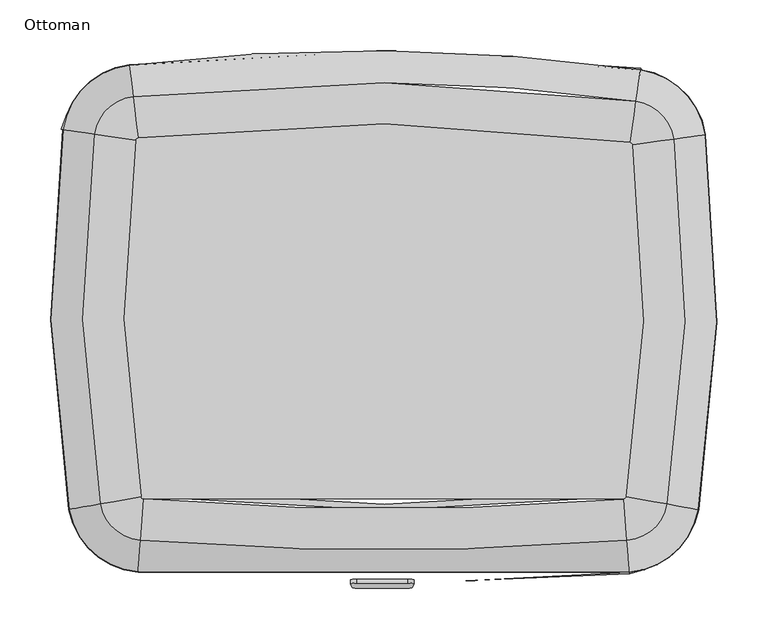
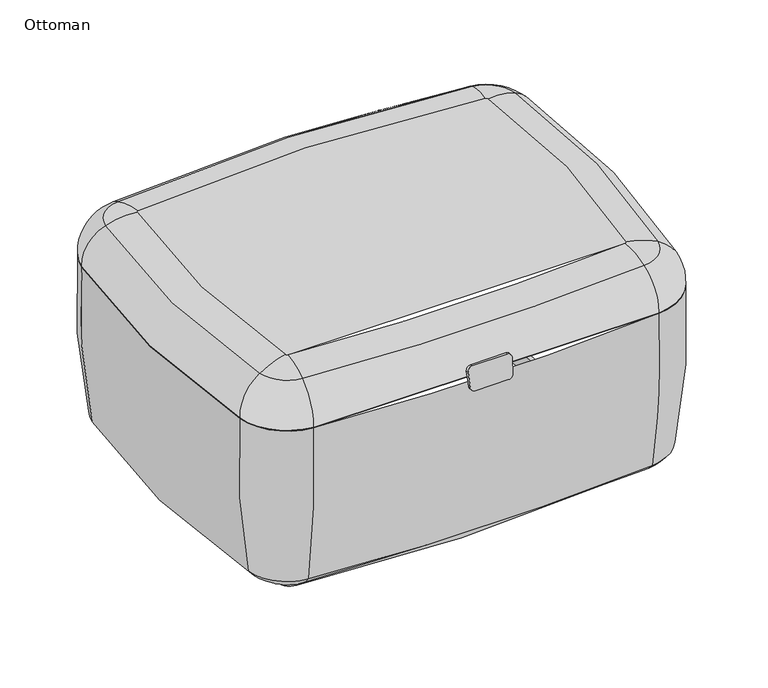
"""IFC4 building model written with IfcOpenShell, lengths in millimetres: furniture geometry, Ottoman."""

from ifc_helpers import new_model, si_unit, point, frame, frame_2d, origin, place, context, project, spatial, polyline, circle_curve, ellipse_curve, trimmed, segment, composite_curve, outline, extrude, source, transform, mapped, element, save
from ifc_brep_helpers import plane_surface, cylinder_surface, revolved_surface, advanced_brep


def ottoman_db271298(model_context):
    return source(origin(), model_context, "Body", "SolidModel", [
        extrude(outline(composite_curve([segment(trimmed(circle_curve(frame_2d((49.6176075, -6.35)), 6.35), [point((49.6176075, 0.0))], [point((55.9589051, -6.6823334))], False, "CARTESIAN"), True, "CONTINUOUS"), segment(polyline([(55.9589051, -6.6823334), (54.8146661, -28.5157131)]), True, "CONTINUOUS"), segment(trimmed(circle_curve(frame_2d((48.4733686, -28.1833798)), 6.35), [point((54.8146661, -28.5157131))], [point((48.4733686, -34.5333798))], False, "CARTESIAN"), True, "CONTINUOUS"), segment(polyline([(48.4733686, -34.5333798), (0.9445452, -34.5333798)]), True, "CONTINUOUS"), segment(trimmed(circle_curve(frame_2d((0.9445452, -28.1833798)), 6.35), [point((0.9445452, -34.5333798))], [point((-5.3967523, -28.5157131))], False, "CARTESIAN"), True, "CONTINUOUS"), segment(polyline([(-5.3967523, -28.5157131), (-6.5409913, -6.6823334)]), True, "CONTINUOUS"), segment(trimmed(circle_curve(frame_2d((-0.1996937, -6.35)), 6.35), [point((-6.5409913, -6.6823334))], [point((-0.1996937, 0.0))], False, "CARTESIAN"), True, "CONTINUOUS"), segment(polyline([(-0.1996937, 0.0), (49.6176075, 0.0)]), True, "CONTINUOUS")], self_intersect=False)), frame((-26.213421, 9.9094783, 308.7471317), z_axis=(0.0, -0.9891204352880028, 0.14710800282673991), x_axis=(1.0, 0.0, 0.0)), (0.0, 0.0, 1.0), 3.9838736),
        advanced_brep(
        [(-260.8692912, 446.3749834, 25.2801461), (-255.1823561, 88.8824496, 25.2801461), (-298.1236147, 81.1627828, 52.5429671), (-304.0343663, 452.7248842, 52.5429671), (-316.5470136, 454.5655868, 286.4331024), (-310.5713823, 78.9250138, 286.4331024), (-310.5713823, 78.9250138, 287.5250719), (-316.5470136, 454.5655868, 287.5250719), (-250.4263603, 505.0155623, 52.5429671), (-245.1521632, 461.705889, 25.2801461), (-251.955239, 517.5701255, 287.5250719), (-251.955239, 517.5701255, 286.4331024), (252.2554108, 500.2496092, 52.5429671), (246.1609929, 457.0477225, 25.2801461), (254.0220543, 512.7729274, 287.5250719), (254.0220543, 512.7729274, 286.4331024), (304.7408151, 447.8502813, 52.5429671), (261.5489896, 441.6849622, 25.2801461), (317.2612167, 449.6374776, 287.5250719), (317.2612167, 449.6374776, 286.4331024), (298.102988, 81.0480786, 52.5429671), (255.1625104, 88.7720887, 25.2801461), (310.5505292, 78.8090505, 287.5250719), (310.5505292, 78.8090505, 286.4331024), (286.9946214, 445.3171411, 340.1119348), (249.7514018, 482.4992817, 340.1119348), (244.0389023, 442.0047236, 349.2604972), (246.5094941, 439.5381836, 349.2604972), (240.2105349, 91.4616073, 349.2604972), (280.4600655, 84.221637, 340.1119348), (-286.2991636, 450.1159051, 340.1119348), (-280.4803712, 84.3345566, 340.1119348), (-240.2301086, 91.5704557, 349.2604972), (-245.8391103, 444.163933, 349.2604972), (-243.3156754, 446.6253587, 349.2604972), (-248.2593548, 487.2209486, 340.1119348), (237.583153, 89.0796896, 349.2604972), (240.8532959, 48.3151456, 340.1119348), (243.2980479, 17.8396589, 287.5250719), (243.2980479, 17.8396589, 286.4331024), (242.2867258, 30.4464728, 52.5429671), (238.7979522, 73.9363958, 25.2801461), (-237.6039993, 89.1883553, 349.2604972), (-240.8927859, 48.4253112, 340.1119348), (-243.3514759, 17.9509459, 287.5250719), (-243.3514759, 17.9509459, 286.4331024), (-242.3343881, 30.5572959, 52.5429671), (-238.8257243, 74.0456188, 25.2801461), (311.5030625, 78.6377115, 287.5250719), (243.3754381, 16.8749375, 287.5250719), (-243.4293073, 16.98626, 287.5250719), (-311.5239329, 78.7537712, 287.5250719), (-317.504529, 454.7064444, 287.5250719), (-252.0722347, 518.5308485, 287.5250719), (254.1572446, 513.7312595, 287.5250719), (318.2193256, 449.7742406, 287.5250719), (-311.5377376, 78.7512895, 286.4331024), (-243.4304353, 16.9722794, 286.4331024), (243.3765597, 16.8609564, 286.4331024), (311.5168669, 78.6352284, 286.4331024), (318.2332109, 449.7762227, 286.4331024), (254.1592038, 513.745148, 286.4331024), (-252.0739302, 518.5447717, 286.4331024), (-317.5184057, 454.7084858, 286.4331024)],
        [
            (0, 1, circle_curve(frame((835.9087058, 285.0308554, 25.2801461), z_axis=(0.0, 0.0, 1.0), x_axis=(-0.9842223017408497, -0.17693631836325693, 0.0)), 1108.5819331)),
            (1, 2, circle_curve(frame((-244.941887, 90.7234065, 90.4734502), z_axis=(-0.176936318363257, 0.9842223017408497, 0.0), x_axis=(0.9842223017408497, 0.176936318363257, 0.0)), 66.0183553)),
            (2, 3, circle_curve(frame((835.9087058, 285.0308554, 52.5429671), z_axis=(0.0, 0.0, -1.0), x_axis=(-0.9842223017408497, -0.17693631836325693, 0.0)), 1152.2115669)),
            (3, 0, circle_curve(frame((-250.5754473, 444.8606831, 90.4734502), z_axis=(-0.14554100442244225, -0.9893522204107628, 0.0), x_axis=(0.9893522204107628, -0.14554100442244225, 0.0)), 66.0183553)),
            (4, 5, circle_curve(frame((835.9087058, 285.0308554, 286.4331024), z_axis=(0.0, 0.0, 1.0), x_axis=(-0.9842223017408497, -0.17693631836325693, 0.0)), 1164.85888)),
            (5, 6),
            (6, 7, circle_curve(frame((835.9087058, 285.0308554, 287.5250719), z_axis=(0.0, 0.0, -1.0), x_axis=(-0.9842223017408497, -0.17693631836325693, 0.0)), 1164.85888)),
            (7, 4),
            (3, 8, circle_curve(frame((-242.9644274, 443.741046, 52.5429671), z_axis=(0.0, 0.0, -1.0), x_axis=(-0.9893522204107618, 0.14554100442244947, 0.0)), 61.7271965)),
            (8, 9, circle_curve(frame((-243.8943926, 451.3775619, 90.4734502), z_axis=(-0.9926664381444686, -0.12088565912288268, 0.0), x_axis=(0.12088565912288268, -0.9926664381444686, 0.0)), 66.0183553)),
            (9, 0, circle_curve(frame((-242.9644274, 443.741046, 25.2801461), z_axis=(0.0, 0.0, 1.0), x_axis=(-0.9893522204107618, 0.14554100442244947, 0.0)), 18.0975626)),
            (7, 10, circle_curve(frame((-242.9644274, 443.741046, 287.5250719), z_axis=(0.0, 0.0, -1.0), x_axis=(-0.9893522204107618, 0.14554100442244947, 0.0)), 74.3745095)),
            (10, 11),
            (11, 4, circle_curve(frame((-242.9644274, 443.741046, 286.4331024), z_axis=(0.0, 0.0, 1.0), x_axis=(-0.9893522204107618, 0.14554100442244947, 0.0)), 74.3745095)),
            (8, 12, circle_curve(frame((-17.2191717, -1409.9919824, 52.5429671), z_axis=(0.0, 0.0, -1.0), x_axis=(-0.12088565912267905, 0.9926664381444934, 0.0)), 1929.1551231)),
            (12, 13, circle_curve(frame((244.7076192, 446.7450998, 90.4734502), z_axis=(-0.9901959509431317, 0.13968528460731675, 0.0), x_axis=(-0.13968528460731675, -0.9901959509431317, 0.0)), 66.0183553)),
            (13, 9, circle_curve(frame((-17.2191717, -1409.9919824, 25.2801461), z_axis=(0.0, 0.0, 1.0), x_axis=(-0.12088565912267905, 0.9926664381444934, 0.0)), 1885.5254892)),
            (10, 14, circle_curve(frame((-17.2191717, -1409.9919824, 287.5250719), z_axis=(0.0, 0.0, -1.0), x_axis=(-0.12088565912267905, 0.9926664381444934, 0.0)), 1941.8024361)),
            (14, 15),
            (15, 11, circle_curve(frame((-17.2191717, -1409.9919824, 286.4331024), z_axis=(0.0, 0.0, 1.0), x_axis=(-0.12088565912267905, 0.9926664381444934, 0.0)), 1941.8024361)),
            (12, 16, circle_curve(frame((243.6330298, 439.1275892, 52.5429671), z_axis=(0.0, 0.0, -1.0), x_axis=(0.1396852845916852, 0.9901959509453369, 0.0)), 61.7271965)),
            (16, 17, circle_curve(frame((251.2487664, 440.2146802, 90.4734502), z_axis=(-0.14131035525665644, 0.9899653445940608, 0.0), x_axis=(-0.9899653445940608, -0.14131035525665644, 0.0)), 66.0183553)),
            (17, 13, circle_curve(frame((243.6330298, 439.1275892, 25.2801461), z_axis=(0.0, 0.0, 1.0), x_axis=(0.1396852845916852, 0.9901959509453369, 0.0)), 18.0975626)),
            (14, 18, circle_curve(frame((243.6330298, 439.1275892, 287.5250719), z_axis=(0.0, 0.0, -1.0), x_axis=(0.1396852845916852, 0.9901959509453369, 0.0)), 74.3745095)),
            (18, 19),
            (19, 15, circle_curve(frame((243.6330298, 439.1275892, 286.4331024), z_axis=(0.0, 0.0, 1.0), x_axis=(0.1396852845916852, 0.9901959509453369, 0.0)), 74.3745095)),
            (16, 20, circle_curve(frame((-835.9087058, 285.0308554, 52.5429671), z_axis=(0.0, 0.0, -1.0), x_axis=(0.9899653445940766, 0.14131035525654612, 0.0)), 1152.2115669)),
            (20, 21, circle_curve(frame((244.9222277, 90.6140815, 90.4734502), z_axis=(0.17703586972420848, 0.9842043999246259, 0.0), x_axis=(-0.9842043999246259, 0.17703586972420848, 0.0)), 66.0183553)),
            (21, 17, circle_curve(frame((-835.9087058, 285.0308554, 25.2801461), z_axis=(0.0, 0.0, 1.0), x_axis=(0.9899653445940766, 0.14131035525654612, 0.0)), 1108.5819331)),
            (18, 22, circle_curve(frame((-835.9087058, 285.0308554, 287.5250719), z_axis=(0.0, 0.0, -1.0), x_axis=(0.9899653445940766, 0.14131035525654612, 0.0)), 1164.85888)),
            (22, 23),
            (23, 19, circle_curve(frame((-835.9087058, 285.0308554, 286.4331024), z_axis=(0.0, 0.0, 1.0), x_axis=(0.9899653445940766, 0.14131035525654612, 0.0)), 1164.85888)),
            (24, 25, circle_curve(frame((243.6330298, 439.1275892, 340.1119348), z_axis=(0.0, 0.0, 1.0), x_axis=(0.1396852845916852, 0.9901959509453369, 0.0)), 43.8011208)),
            (25, 26, circle_curve(frame((244.0389023, 442.0047236, 253.281588), z_axis=(0.9901959509453369, -0.13968528459168517, 0.0), x_axis=(-0.13968528459168517, -0.9901959509453369, 0.0)), 95.9789092)),
            (26, 27, circle_curve(frame((243.6330298, 439.1275892, 349.2604972), z_axis=(0.0, 0.0, -1.0), x_axis=(0.1396852845916852, 0.9901959509453369, 0.0)), 2.9056213)),
            (27, 24, circle_curve(frame((246.5094941, 439.5381836, 253.281588), z_axis=(-0.14131035525887703, 0.9899653445937439, 0.0), x_axis=(-0.9899653445937439, -0.14131035525887703, 0.0)), 95.9789092)),
            (27, 28, circle_curve(frame((-835.9087058, 285.0308554, 349.2604972), z_axis=(0.0, 0.0, -1.0), x_axis=(0.9899653445940766, 0.14131035525654612, 0.0)), 1093.3899917)),
            (28, 29, circle_curve(frame((240.2105349, 91.4616073, 253.281588), z_axis=(0.1770358697242096, 0.9842043999246257, 0.0), x_axis=(-0.9842043999246257, 0.1770358697242096, 0.0)), 95.9789092)),
            (29, 24, circle_curve(frame((-835.9087058, 285.0308554, 340.1119348), z_axis=(0.0, 0.0, 1.0), x_axis=(0.9899653445940766, 0.14131035525654612, 0.0)), 1134.2854913)),
            (30, 31, circle_curve(frame((835.9087058, 285.0308554, 340.1119348), z_axis=(0.0, 0.0, 1.0), x_axis=(-0.9842223017408497, -0.17693631836325693, 0.0)), 1134.2854913)),
            (31, 32, circle_curve(frame((-240.2301086, 91.5704557, 253.281588), z_axis=(-0.176936318363257, 0.9842223017408497, 0.0), x_axis=(0.9842223017408497, 0.176936318363257, 0.0)), 95.9789092)),
            (32, 33, circle_curve(frame((835.9087058, 285.0308554, 349.2604972), z_axis=(0.0, 0.0, -1.0), x_axis=(-0.9842223017408497, -0.17693631836325693, 0.0)), 1093.3899917)),
            (33, 30, circle_curve(frame((-245.8391103, 444.163933, 253.281588), z_axis=(-0.14554100442244183, -0.9893522204107629, 0.0), x_axis=(0.9893522204107629, -0.14554100442244183, 0.0)), 95.9789092)),
            (33, 34, circle_curve(frame((-242.9644274, 443.741046, 349.2604972), z_axis=(0.0, 0.0, -1.0), x_axis=(-0.9893522204107618, 0.14554100442244947, 0.0)), 2.9056213)),
            (34, 35, circle_curve(frame((-243.3156754, 446.6253587, 253.281588), z_axis=(-0.9926664381439658, -0.12088565912701216, 0.0), x_axis=(0.12088565912701216, -0.9926664381439658, 0.0)), 95.9789092)),
            (35, 30, circle_curve(frame((-242.9644274, 443.741046, 340.1119348), z_axis=(0.0, 0.0, 1.0), x_axis=(-0.9893522204107618, 0.14554100442244947, 0.0)), 43.8011208)),
            (25, 35, circle_curve(frame((-17.2191717, -1409.9919824, 340.1119348), z_axis=(0.0, 0.0, 1.0), x_axis=(-0.12088565912267905, 0.9926664381444934, 0.0)), 1911.2290474)),
            (34, 26, circle_curve(frame((-17.2191717, -1409.9919824, 349.2604972), z_axis=(0.0, 0.0, -1.0), x_axis=(-0.12088565912267905, 0.9926664381444934, 0.0)), 1870.3335479)),
            (28, 36, circle_curve(frame((237.3508096, 91.9760065, 349.2604972), z_axis=(0.0, 0.0, -1.0), x_axis=(0.9842043999246299, -0.17703586972418647, 0.0)), 2.9056213)),
            (36, 37, circle_curve(frame((237.583153, 89.0796896, 253.281588), z_axis=(0.996797800733115, 0.07996339446037301, 0.0), x_axis=(-0.07996339446037301, 0.996797800733115, 0.0)), 95.9789092)),
            (37, 29, circle_curve(frame((237.3508096, 91.9760065, 340.1119348), z_axis=(0.0, 0.0, 1.0), x_axis=(0.9842043999246299, -0.17703586972418647, 0.0)), 43.8011208)),
            (22, 38, circle_curve(frame((237.3508096, 91.9760065, 287.5250719), z_axis=(0.0, 0.0, -1.0), x_axis=(0.9842043999246299, -0.17703586972418647, 0.0)), 74.3745095)),
            (38, 39),
            (39, 23, circle_curve(frame((237.3508096, 91.9760065, 286.4331024), z_axis=(0.0, 0.0, 1.0), x_axis=(0.9842043999246299, -0.17703586972418647, 0.0)), 74.3745095)),
            (20, 40, circle_curve(frame((237.3508096, 91.9760065, 52.5429671), z_axis=(0.0, 0.0, -1.0), x_axis=(0.9842043999246299, -0.17703586972418647, 0.0)), 61.7271965)),
            (40, 41, circle_curve(frame((237.9659626, 84.3077082, 90.4734502), z_axis=(0.9967978007330798, 0.07996339446081252, 0.0), x_axis=(-0.07996339446081252, 0.9967978007330798, 0.0)), 66.0183553)),
            (41, 21, circle_curve(frame((237.3508096, 91.9760065, 25.2801461), z_axis=(0.0, 0.0, 1.0), x_axis=(0.9842043999246299, -0.17703586972418647, 0.0)), 18.0975626)),
            (36, 42, circle_curve(frame((0.6649354, 3042.4255278, 349.2604972), z_axis=(0.0, 0.0, -1.0), x_axis=(0.07996339446083366, -0.996797800733078, 0.0)), 2962.8334213)),
            (42, 43, circle_curve(frame((-237.6039993, 89.1883553, 253.281588), z_axis=(0.9967611244319938, -0.08041928140108716, 0.0), x_axis=(0.08041928140108716, 0.9967611244319938, 0.0)), 95.9789092)),
            (43, 37, circle_curve(frame((0.6649354, 3042.4255278, 340.1119348), z_axis=(0.0, 0.0, 1.0), x_axis=(0.07996339446083366, -0.996797800733078, 0.0)), 3003.7289208)),
            (38, 44, circle_curve(frame((0.6649354, 3042.4255278, 287.5250719), z_axis=(0.0, 0.0, -1.0), x_axis=(0.07996339446083366, -0.996797800733078, 0.0)), 3034.3023096)),
            (44, 45),
            (45, 39, circle_curve(frame((0.6649354, 3042.4255278, 286.4331024), z_axis=(0.0, 0.0, 1.0), x_axis=(0.07996339446083366, -0.996797800733078, 0.0)), 3034.3023096)),
            (40, 46, circle_curve(frame((0.6649354, 3042.4255278, 52.5429671), z_axis=(0.0, 0.0, -1.0), x_axis=(0.07996339446083366, -0.996797800733078, 0.0)), 3021.6549965)),
            (46, 47, circle_curve(frame((-237.9889914, 84.4165496, 90.4734502), z_axis=(0.9967611244319514, -0.08041928140161327, 0.0), x_axis=(0.08041928140161327, 0.9967611244319514, 0.0)), 66.0183553)),
            (47, 41, circle_curve(frame((0.6649354, 3042.4255278, 25.2801461), z_axis=(0.0, 0.0, 1.0), x_axis=(0.07996339446083366, -0.996797800733078, 0.0)), 2978.0253627)),
            (47, 1, circle_curve(frame((-237.3703313, 92.0845657, 25.2801461), z_axis=(0.0, 0.0, -1.0), x_axis=(-0.0804192814281142, -0.9967611244298133, 0.0)), 18.0975626)),
            (32, 42, circle_curve(frame((-237.3703313, 92.0845657, 349.2604972), z_axis=(0.0, 0.0, 1.0), x_axis=(-0.0804192814281142, -0.9967611244298133, 0.0)), 2.9056213)),
            (31, 43, circle_curve(frame((-237.3703313, 92.0845657, 340.1119348), z_axis=(0.0, 0.0, 1.0), x_axis=(-0.0804192814281142, -0.9967611244298133, 0.0)), 43.8011208)),
            (48, 49, circle_curve(frame((237.3508096, 91.9760065, 287.5250719), z_axis=(0.0, 0.0, -1.0), x_axis=(0.9842043999246299, -0.17703586972418647, 0.0)), 75.3423302)),
            (49, 50, circle_curve(frame((0.6649354, 3042.4255278, 287.5250719), z_axis=(0.0, 0.0, -1.0), x_axis=(0.07996339446083366, -0.996797800733078, 0.0)), 3035.2701302)),
            (50, 51, circle_curve(frame((-237.3703313, 92.0845657, 287.5250719), z_axis=(0.0, 0.0, -1.0), x_axis=(-0.0804192814281142, -0.9967611244298133, 0.0)), 75.3423302)),
            (51, 52, circle_curve(frame((835.9087058, 285.0308554, 287.5250719), z_axis=(0.0, 0.0, -1.0), x_axis=(-0.9842223017408497, -0.17693631836325693, 0.0)), 1165.8267006)),
            (52, 53, circle_curve(frame((-242.9644274, 443.741046, 287.5250719), z_axis=(0.0, 0.0, -1.0), x_axis=(-0.9893522204107618, 0.14554100442244947, 0.0)), 75.3423302)),
            (53, 54, circle_curve(frame((-17.2191717, -1409.9919824, 287.5250719), z_axis=(0.0, 0.0, -1.0), x_axis=(-0.12088565912267905, 0.9926664381444934, 0.0)), 1942.7702567)),
            (54, 55, circle_curve(frame((243.6330298, 439.1275892, 287.5250719), z_axis=(0.0, 0.0, -1.0), x_axis=(0.1396852845916852, 0.9901959509453369, 0.0)), 75.3423302)),
            (55, 48, circle_curve(frame((-835.9087058, 285.0308554, 287.5250719), z_axis=(0.0, 0.0, -1.0), x_axis=(0.9899653445940766, 0.14131035525654612, 0.0)), 1165.8267006)),
            (6, 44, circle_curve(frame((-237.3703313, 92.0845657, 287.5250719), z_axis=(0.0, 0.0, 1.0), x_axis=(-0.0804192814281142, -0.9967611244298133, 0.0)), 74.3745095)),
            (5, 45, circle_curve(frame((-237.3703313, 92.0845657, 286.4331024), z_axis=(0.0, 0.0, 1.0), x_axis=(-0.0804192814281142, -0.9967611244298133, 0.0)), 74.3745095)),
            (56, 57, circle_curve(frame((-237.3703313, 92.0845657, 286.4331024), z_axis=(0.0, 0.0, 1.0), x_axis=(-0.0804192814281142, -0.9967611244298133, 0.0)), 75.3563562)),
            (57, 58, circle_curve(frame((0.6649354, 3042.4255278, 286.4331024), z_axis=(0.0, 0.0, 1.0), x_axis=(0.07996339446083366, -0.996797800733078, 0.0)), 3035.2841562)),
            (58, 59, circle_curve(frame((237.3508096, 91.9760065, 286.4331024), z_axis=(0.0, 0.0, 1.0), x_axis=(0.9842043999246299, -0.17703586972418647, 0.0)), 75.3563562)),
            (59, 60, circle_curve(frame((-835.9087058, 285.0308554, 286.4331024), z_axis=(0.0, 0.0, 1.0), x_axis=(0.9899653445940766, 0.14131035525654612, 0.0)), 1165.8407266)),
            (60, 61, circle_curve(frame((243.6330298, 439.1275892, 286.4331024), z_axis=(0.0, 0.0, 1.0), x_axis=(0.1396852845916852, 0.9901959509453369, 0.0)), 75.3563562)),
            (61, 62, circle_curve(frame((-17.2191717, -1409.9919824, 286.4331024), z_axis=(0.0, 0.0, 1.0), x_axis=(-0.12088565912267905, 0.9926664381444934, 0.0)), 1942.7842827)),
            (62, 63, circle_curve(frame((-242.9644274, 443.741046, 286.4331024), z_axis=(0.0, 0.0, 1.0), x_axis=(-0.9893522204107618, 0.14554100442244947, 0.0)), 75.3563562)),
            (63, 56, circle_curve(frame((835.9087058, 285.0308554, 286.4331024), z_axis=(0.0, 0.0, 1.0), x_axis=(-0.9842223017408497, -0.17693631836325693, 0.0)), 1165.8407266)),
            (46, 2, circle_curve(frame((-237.3703313, 92.0845657, 52.5429671), z_axis=(0.0, 0.0, -1.0), x_axis=(-0.0804192814281142, -0.9967611244298133, 0.0)), 61.7271965)),
            (24, 55, circle_curve(frame((263.761718, 442.0008131, 290.2832397), z_axis=(-0.1413103552567022, 0.9899653445940543, 0.0), x_axis=(0.9899653445940543, 0.1413103552567022, 0.0)), 55.0787136)),
            (54, 25, circle_curve(frame((246.4732115, 459.2609663, 290.2832397), z_axis=(0.9901959509453369, -0.13968528459168517, 0.0), x_axis=(0.13968528459168517, 0.9901959509453369, 0.0)), 55.0787136)),
            (12, 61, circle_curve(frame((118.1275761, -450.5508931, 225.8383961), z_axis=(0.9901959509453369, -0.13968528459168517, 0.0), x_axis=(0.13968528459168517, 0.9901959509453369, 0.0)), 975.7269992)),
            (60, 16, circle_curve(frame((-645.8382557, 312.1620302, 225.8383961), z_axis=(-0.14131035525663668, 0.9899653445940636, 0.0), x_axis=(0.9899653445940636, 0.14131035525663668, 0.0)), 975.7269992)),
            (29, 48, circle_curve(frame((257.3623622, 88.3763857, 290.2832397), z_axis=(0.1770358697242088, 0.9842043999246259, 0.0), x_axis=(0.9842043999246259, -0.1770358697242088, 0.0)), 55.0787136)),
            (59, 20, circle_curve(frame((-646.9443402, 251.0404863, 225.8383961), z_axis=(0.17703586972420826, 0.984204399924626, 0.0), x_axis=(0.984204399924626, -0.17703586972420826, 0.0)), 975.7269992)),
            (37, 49, circle_curve(frame((238.9766829, 71.7083958, 290.2832397), z_axis=(0.9967978007330803, 0.07996339446080394, 0.0), x_axis=(0.07996339446080394, -0.9967978007330803, 0.0)), 55.0787136)),
            (58, 40, circle_curve(frame((165.5047156, 987.5861669, 225.8383961), z_axis=(0.9967978007330794, 0.0799633944608159, 0.0), x_axis=(0.0799633944608159, -0.9967978007330794, 0.0)), 975.7269992)),
            (43, 50, circle_curve(frame((-239.005474, 71.8177008, 290.2832397), z_axis=(0.9967611244319642, -0.08041928140145511, 0.0), x_axis=(-0.08041928140145511, -0.9967611244319642, 0.0)), 55.0787136)),
            (57, 46, circle_curve(frame((-165.1146286, 987.661773, 225.8383961), z_axis=(0.9967611244319418, -0.08041928140173223, 0.0), x_axis=(-0.08041928140173223, -0.9967611244319418, 0.0)), 975.7269992)),
            (31, 51, circle_curve(frame((-257.3822478, 88.4869691, 290.2832397), z_axis=(0.17693631836325657, -0.9842223017408497, 0.0), x_axis=(-0.9842223017408497, -0.17693631836325657, 0.0)), 55.0787136)),
            (56, 2, circle_curve(frame((646.9409031, 251.0595999, 225.8383961), z_axis=(0.17693631836325704, -0.9842223017408497, 0.0), x_axis=(-0.9842223017408497, -0.17693631836325704, 0.0)), 975.7269992)),
            (30, 52, circle_curve(frame((-263.0806491, 446.7002905, 290.2832397), z_axis=(-0.1455410044224422, -0.9893522204107628, 0.0), x_axis=(-0.9893522204107628, 0.1455410044224422, 0.0)), 55.0787136)),
            (63, 3, circle_curve(frame((645.9559737, 312.9743025, 225.8383961), z_axis=(-0.1455410044224423, -0.9893522204107627, 0.0), x_axis=(-0.9893522204107627, 0.1455410044224423, 0.0)), 975.7269992)),
            (35, 53, circle_curve(frame((-245.4223617, 463.9246548, 290.2832397), z_axis=(-0.9926664381444585, -0.12088565912296531, 0.0), x_axis=(-0.12088565912296531, 0.9926664381444585, 0.0)), 55.0787136)),
            (62, 8, circle_curve(frame((-134.3501984, -448.1571377, 225.8383961), z_axis=(-0.9926664381444731, -0.12088565912284588, 0.0), x_axis=(-0.12088565912284588, 0.9926664381444731, 0.0)), 975.7269992)),
        ],
        [
            revolved_surface(trimmed(ellipse_curve(frame((-244.941887, 90.7234065, 90.4734502), z_axis=(0.176936318363257, -0.9842223017408497, 0.0), x_axis=(0.9842223017408497, 0.176936318363257, 0.0)), 66.0183553, 66.0183553), [point((-298.1236147, 81.1627828, 52.5429671))], [point((-255.1823561, 88.8824496, 25.2801461))], True, "CARTESIAN"), (835.9087058, 285.0308554, 0.0), (0.0, 0.0, -1.0)),
            cylinder_surface(frame((835.9087058, 285.0308554, 0.0), z_axis=(0.0, 0.0, -1.0), x_axis=(-0.9842223017408497, -0.17693631836325693, 0.0)), 1164.85888),
            revolved_surface(trimmed(ellipse_curve(frame((-250.5754473, 444.8606831, 90.4734502), z_axis=(-0.1455410044224493, -0.9893522204107618, 0.0), x_axis=(0.9893522204107618, -0.1455410044224493, 0.0)), 66.0183553, 66.0183553), [point((-304.0343663, 452.7248842, 52.5429671))], [point((-260.8692912, 446.3749834, 25.2801461))], True, "CARTESIAN"), (-242.9644274, 443.741046, 0.0), (0.0, 0.0, -1.0)),
            cylinder_surface(frame((-242.9644274, 443.741046, 0.0), z_axis=(0.0, 0.0, -1.0), x_axis=(-0.9893522204107618, 0.14554100442244947, 0.0)), 74.3745095),
            revolved_surface(trimmed(ellipse_curve(frame((-243.8943926, 451.3775619, 90.4734502), z_axis=(-0.9926664381444934, -0.12088565912267916, 0.0), x_axis=(0.12088565912267916, -0.9926664381444934, 0.0)), 66.0183553, 66.0183553), [point((-250.4263603, 505.0155623, 52.5429671))], [point((-245.1521632, 461.705889, 25.2801461))], True, "CARTESIAN"), (-17.2191717, -1409.9919824, 0.0), (0.0, 0.0, -1.0)),
            cylinder_surface(frame((-17.2191717, -1409.9919824, 0.0), z_axis=(0.0, 0.0, -1.0), x_axis=(-0.12088565912267905, 0.9926664381444934, 0.0)), 1941.8024361),
            revolved_surface(trimmed(ellipse_curve(frame((244.7076192, 446.7450998, 90.4734502), z_axis=(-0.9901959509453369, 0.13968528459168517, 0.0), x_axis=(-0.13968528459168517, -0.9901959509453369, 0.0)), 66.0183553, 66.0183553), [point((252.2554108, 500.2496092, 52.5429671))], [point((246.1609929, 457.0477225, 25.2801461))], True, "CARTESIAN"), (243.6330298, 439.1275892, 0.0), (0.0, 0.0, -1.0)),
            cylinder_surface(frame((243.6330298, 439.1275892, 0.0), z_axis=(0.0, 0.0, -1.0), x_axis=(0.1396852845916852, 0.9901959509453369, 0.0)), 74.3745095),
            revolved_surface(trimmed(ellipse_curve(frame((251.2487664, 440.2146802, 90.4734502), z_axis=(-0.14131035525654614, 0.9899653445940766, 0.0), x_axis=(-0.9899653445940766, -0.14131035525654614, 0.0)), 66.0183553, 66.0183553), [point((304.7408151, 447.8502813, 52.5429671))], [point((261.5489896, 441.6849622, 25.2801461))], True, "CARTESIAN"), (-835.9087058, 285.0308554, 0.0), (0.0, 0.0, -1.0)),
            cylinder_surface(frame((-835.9087058, 285.0308554, 0.0), z_axis=(0.0, 0.0, -1.0), x_axis=(0.9899653445940766, 0.14131035525654612, 0.0)), 1164.85888),
            revolved_surface(trimmed(ellipse_curve(frame((244.0389023, 442.0047236, 253.281588), z_axis=(-0.9901959509453369, 0.13968528459168517, 0.0), x_axis=(-0.13968528459168517, -0.9901959509453369, 0.0)), 95.9789092, 95.9789092), [point((244.0389023, 442.0047236, 349.2604972))], [point((249.7514018, 482.4992817, 340.1119348))], True, "CARTESIAN"), (243.6330298, 439.1275892, 0.0), (0.0, 0.0, -1.0)),
            revolved_surface(trimmed(ellipse_curve(frame((246.5094941, 439.5381836, 253.281588), z_axis=(-0.14131035525654614, 0.9899653445940766, 0.0), x_axis=(-0.9899653445940766, -0.14131035525654614, 0.0)), 95.9789092, 95.9789092), [point((246.5094941, 439.5381836, 349.2604972))], [point((286.9946214, 445.3171411, 340.1119348))], True, "CARTESIAN"), (-835.9087058, 285.0308554, 0.0), (0.0, 0.0, -1.0)),
            revolved_surface(trimmed(ellipse_curve(frame((-240.2301086, 91.5704557, 253.281588), z_axis=(0.176936318363257, -0.9842223017408497, 0.0), x_axis=(0.9842223017408497, 0.176936318363257, 0.0)), 95.9789092, 95.9789092), [point((-240.2301086, 91.5704557, 349.2604972))], [point((-280.4803712, 84.3345566, 340.1119348))], True, "CARTESIAN"), (835.9087058, 285.0308554, 0.0), (0.0, 0.0, -1.0)),
            revolved_surface(trimmed(ellipse_curve(frame((-245.8391103, 444.163933, 253.281588), z_axis=(-0.1455410044224493, -0.9893522204107618, 0.0), x_axis=(0.9893522204107618, -0.1455410044224493, 0.0)), 95.9789092, 95.9789092), [point((-245.8391103, 444.163933, 349.2604972))], [point((-286.2991636, 450.1159051, 340.1119348))], True, "CARTESIAN"), (-242.9644274, 443.741046, 0.0), (0.0, 0.0, -1.0)),
            revolved_surface(trimmed(ellipse_curve(frame((-243.3156754, 446.6253587, 253.281588), z_axis=(-0.9926664381444934, -0.12088565912267916, 0.0), x_axis=(0.12088565912267916, -0.9926664381444934, 0.0)), 95.9789092, 95.9789092), [point((-243.3156754, 446.6253587, 349.2604972))], [point((-248.2593548, 487.2209486, 340.1119348))], True, "CARTESIAN"), (-17.2191717, -1409.9919824, 0.0), (0.0, 0.0, -1.0)),
            revolved_surface(trimmed(ellipse_curve(frame((240.2105349, 91.4616073, 253.281588), z_axis=(0.17703586972418647, 0.9842043999246299, 0.0), x_axis=(-0.9842043999246299, 0.17703586972418647, 0.0)), 95.9789092, 95.9789092), [point((240.2105349, 91.4616073, 349.2604972))], [point((280.4600655, 84.221637, 340.1119348))], True, "CARTESIAN"), (237.3508096, 91.9760065, 0.0), (0.0, 0.0, -1.0)),
            cylinder_surface(frame((237.3508096, 91.9760065, 0.0), z_axis=(0.0, 0.0, -1.0), x_axis=(0.9842043999246299, -0.17703586972418647, 0.0)), 74.3745095),
            revolved_surface(trimmed(ellipse_curve(frame((244.9222277, 90.6140815, 90.4734502), z_axis=(0.17703586972418647, 0.9842043999246299, 0.0), x_axis=(-0.9842043999246299, 0.17703586972418647, 0.0)), 66.0183553, 66.0183553), [point((298.102988, 81.0480786, 52.5429671))], [point((255.1625104, 88.7720887, 25.2801461))], True, "CARTESIAN"), (237.3508096, 91.9760065, 0.0), (0.0, 0.0, -1.0)),
            revolved_surface(trimmed(ellipse_curve(frame((237.583153, 89.0796896, 253.281588), z_axis=(0.996797800733078, 0.07996339446083366, 0.0), x_axis=(-0.07996339446083366, 0.996797800733078, 0.0)), 95.9789092, 95.9789092), [point((237.583153, 89.0796896, 349.2604972))], [point((240.8532959, 48.3151456, 340.1119348))], True, "CARTESIAN"), (0.6649354, 3042.4255278, 0.0), (0.0, 0.0, -1.0)),
            cylinder_surface(frame((0.6649354, 3042.4255278, 0.0), z_axis=(0.0, 0.0, -1.0), x_axis=(0.07996339446083366, -0.996797800733078, 0.0)), 3034.3023096),
            revolved_surface(trimmed(ellipse_curve(frame((237.9659626, 84.3077082, 90.4734502), z_axis=(0.996797800733078, 0.07996339446083366, 0.0), x_axis=(-0.07996339446083366, 0.996797800733078, 0.0)), 66.0183553, 66.0183553), [point((242.2867258, 30.4464728, 52.5429671))], [point((238.7979522, 73.9363958, 25.2801461))], True, "CARTESIAN"), (0.6649354, 3042.4255278, 0.0), (0.0, 0.0, -1.0)),
            plane_surface(frame((-237.3703313, 92.0845657, 25.2801461), z_axis=(0.0, 0.0, -1.0), x_axis=(-0.0804192814281142, -0.9967611244298133, 0.0))),
            plane_surface(frame((-237.3703313, 92.0845657, 349.2604972), z_axis=(0.0, 0.0, 1.0), x_axis=(-0.0804192814281142, -0.9967611244298133, 0.0))),
            revolved_surface(trimmed(ellipse_curve(frame((-237.6039993, 89.1883553, 253.281588), z_axis=(0.9967611244298133, -0.08041928142811422, 0.0), x_axis=(0.08041928142811422, 0.9967611244298133, 0.0)), 95.9789092, 95.9789092), [point((-237.6039993, 89.1883553, 349.2604972))], [point((-240.8927859, 48.4253112, 340.1119348))], True, "CARTESIAN"), (-237.3703313, 92.0845657, 0.0), (0.0, 0.0, -1.0)),
            plane_surface(frame((-237.3703313, 92.0845657, 287.5250719), z_axis=(0.0, 0.0, -1.0), x_axis=(-0.0804192814281142, -0.9967611244298133, 0.0))),
            cylinder_surface(frame((-237.3703313, 92.0845657, 0.0), z_axis=(0.0, 0.0, -1.0), x_axis=(-0.0804192814281142, -0.9967611244298133, 0.0)), 74.3745095),
            plane_surface(frame((-237.3703313, 92.0845657, 286.4331024), z_axis=(0.0, 0.0, 1.0), x_axis=(-0.0804192814281142, -0.9967611244298133, 0.0))),
            revolved_surface(trimmed(ellipse_curve(frame((-237.9889914, 84.4165496, 90.4734502), z_axis=(0.9967611244298133, -0.08041928142811422, 0.0), x_axis=(0.08041928142811422, 0.9967611244298133, 0.0)), 66.0183553, 66.0183553), [point((-242.3343881, 30.5572959, 52.5429671))], [point((-238.8257243, 74.0456188, 25.2801461))], True, "CARTESIAN"), (-237.3703313, 92.0845657, 0.0), (0.0, 0.0, -1.0)),
            revolved_surface(trimmed(ellipse_curve(frame((246.4732115, 459.2609663, 290.2832397), z_axis=(-0.9901959509453369, 0.13968528459168517, 0.0), x_axis=(0.13968528459168517, 0.9901959509453369, 0.0)), 55.0787136, 55.0787136), [point((249.7514018, 482.4992817, 340.1119348))], [point((254.1572446, 513.7312595, 287.5250719))], True, "CARTESIAN"), (243.6330298, 439.1275892, 0.0), (0.0, 0.0, -1.0)),
            revolved_surface(trimmed(ellipse_curve(frame((118.1275761, -450.5508931, 225.8383961), z_axis=(-0.9901959509453369, 0.13968528459168517, 0.0), x_axis=(0.13968528459168517, 0.9901959509453369, 0.0)), 975.7269992, 975.7269992), [point((254.1592038, 513.745148, 286.4331024))], [point((252.2554108, 500.2496092, 52.5429671))], True, "CARTESIAN"), (243.6330298, 439.1275892, 0.0), (0.0, 0.0, -1.0)),
            revolved_surface(trimmed(ellipse_curve(frame((263.761718, 442.0008131, 290.2832397), z_axis=(-0.14131035525654614, 0.9899653445940766, 0.0), x_axis=(0.9899653445940766, 0.14131035525654614, 0.0)), 55.0787136, 55.0787136), [point((286.9946214, 445.3171411, 340.1119348))], [point((318.2193256, 449.7742406, 287.5250719))], True, "CARTESIAN"), (-835.9087058, 285.0308554, 0.0), (0.0, 0.0, -1.0)),
            revolved_surface(trimmed(ellipse_curve(frame((-645.8382557, 312.1620302, 225.8383961), z_axis=(-0.14131035525654614, 0.9899653445940766, 0.0), x_axis=(0.9899653445940766, 0.14131035525654614, 0.0)), 975.7269992, 975.7269992), [point((318.2332109, 449.7762227, 286.4331024))], [point((304.7408151, 447.8502813, 52.5429671))], True, "CARTESIAN"), (-835.9087058, 285.0308554, 0.0), (0.0, 0.0, -1.0)),
            revolved_surface(trimmed(ellipse_curve(frame((257.3623622, 88.3763857, 290.2832397), z_axis=(0.17703586972418647, 0.9842043999246299, 0.0), x_axis=(0.9842043999246299, -0.17703586972418647, 0.0)), 55.0787136, 55.0787136), [point((280.4600655, 84.221637, 340.1119348))], [point((311.5030625, 78.6377115, 287.5250719))], True, "CARTESIAN"), (237.3508096, 91.9760065, 0.0), (0.0, 0.0, -1.0)),
            revolved_surface(trimmed(ellipse_curve(frame((-646.9443402, 251.0404863, 225.8383961), z_axis=(0.17703586972418647, 0.9842043999246299, 0.0), x_axis=(0.9842043999246299, -0.17703586972418647, 0.0)), 975.7269992, 975.7269992), [point((311.5168669, 78.6352284, 286.4331024))], [point((298.102988, 81.0480786, 52.5429671))], True, "CARTESIAN"), (237.3508096, 91.9760065, 0.0), (0.0, 0.0, -1.0)),
            revolved_surface(trimmed(ellipse_curve(frame((238.9766829, 71.7083958, 290.2832397), z_axis=(0.996797800733078, 0.07996339446083366, 0.0), x_axis=(0.07996339446083366, -0.996797800733078, 0.0)), 55.0787136, 55.0787136), [point((240.8532959, 48.3151456, 340.1119348))], [point((243.3754381, 16.8749375, 287.5250719))], True, "CARTESIAN"), (0.6649354, 3042.4255278, 0.0), (0.0, 0.0, -1.0)),
            revolved_surface(trimmed(ellipse_curve(frame((165.5047156, 987.5861669, 225.8383961), z_axis=(0.996797800733078, 0.07996339446083366, 0.0), x_axis=(0.07996339446083366, -0.996797800733078, 0.0)), 975.7269992, 975.7269992), [point((243.3765597, 16.8609564, 286.4331024))], [point((242.2867258, 30.4464728, 52.5429671))], True, "CARTESIAN"), (0.6649354, 3042.4255278, 0.0), (0.0, 0.0, -1.0)),
            revolved_surface(trimmed(ellipse_curve(frame((-239.005474, 71.8177008, 290.2832397), z_axis=(0.9967611244298133, -0.08041928142811422, 0.0), x_axis=(-0.08041928142811422, -0.9967611244298133, 0.0)), 55.0787136, 55.0787136), [point((-240.8927859, 48.4253112, 340.1119348))], [point((-243.4293073, 16.98626, 287.5250719))], True, "CARTESIAN"), (-237.3703313, 92.0845657, 0.0), (0.0, 0.0, -1.0)),
            revolved_surface(trimmed(ellipse_curve(frame((-165.1146286, 987.661773, 225.8383961), z_axis=(0.9967611244298133, -0.08041928142811422, 0.0), x_axis=(-0.08041928142811422, -0.9967611244298133, 0.0)), 975.7269992, 975.7269992), [point((-243.4304353, 16.9722794, 286.4331024))], [point((-242.3343881, 30.5572959, 52.5429671))], True, "CARTESIAN"), (-237.3703313, 92.0845657, 0.0), (0.0, 0.0, -1.0)),
            revolved_surface(trimmed(ellipse_curve(frame((-257.3822478, 88.4869691, 290.2832397), z_axis=(0.176936318363257, -0.9842223017408497, 0.0), x_axis=(-0.9842223017408497, -0.176936318363257, 0.0)), 55.0787136, 55.0787136), [point((-280.4803712, 84.3345566, 340.1119348))], [point((-311.5239329, 78.7537712, 287.5250719))], True, "CARTESIAN"), (835.9087058, 285.0308554, 0.0), (0.0, 0.0, -1.0)),
            revolved_surface(trimmed(ellipse_curve(frame((646.9409031, 251.0595999, 225.8383961), z_axis=(0.176936318363257, -0.9842223017408497, 0.0), x_axis=(-0.9842223017408497, -0.176936318363257, 0.0)), 975.7269992, 975.7269992), [point((-311.5377376, 78.7512895, 286.4331024))], [point((-298.1236147, 81.1627828, 52.5429671))], True, "CARTESIAN"), (835.9087058, 285.0308554, 0.0), (0.0, 0.0, -1.0)),
            revolved_surface(trimmed(ellipse_curve(frame((-263.0806491, 446.7002905, 290.2832397), z_axis=(-0.1455410044224493, -0.9893522204107618, 0.0), x_axis=(-0.9893522204107618, 0.1455410044224493, 0.0)), 55.0787136, 55.0787136), [point((-286.2991636, 450.1159051, 340.1119348))], [point((-317.504529, 454.7064444, 287.5250719))], True, "CARTESIAN"), (-242.9644274, 443.741046, 0.0), (0.0, 0.0, -1.0)),
            revolved_surface(trimmed(ellipse_curve(frame((645.9559737, 312.9743025, 225.8383961), z_axis=(-0.1455410044224493, -0.9893522204107618, 0.0), x_axis=(-0.9893522204107618, 0.1455410044224493, 0.0)), 975.7269992, 975.7269992), [point((-317.5184057, 454.7084858, 286.4331024))], [point((-304.0343663, 452.7248842, 52.5429671))], True, "CARTESIAN"), (-242.9644274, 443.741046, 0.0), (0.0, 0.0, -1.0)),
            revolved_surface(trimmed(ellipse_curve(frame((-245.4223617, 463.9246548, 290.2832397), z_axis=(-0.9926664381444934, -0.12088565912267916, 0.0), x_axis=(-0.12088565912267916, 0.9926664381444934, 0.0)), 55.0787136, 55.0787136), [point((-248.2593548, 487.2209486, 340.1119348))], [point((-252.0722347, 518.5308485, 287.5250719))], True, "CARTESIAN"), (-17.2191717, -1409.9919824, 0.0), (0.0, 0.0, -1.0)),
            revolved_surface(trimmed(ellipse_curve(frame((-134.3501984, -448.1571377, 225.8383961), z_axis=(-0.9926664381444934, -0.12088565912267916, 0.0), x_axis=(-0.12088565912267916, 0.9926664381444934, 0.0)), 975.7269992, 975.7269992), [point((-252.0739302, 518.5447717, 286.4331024))], [point((-250.4263603, 505.0155623, 52.5429671))], True, "CARTESIAN"), (-17.2191717, -1409.9919824, 0.0), (0.0, 0.0, -1.0)),
        ],
        [
            (0, [[1, 2, 3, 4]]),
            (1, [[5, 6, 7, 8]]),
            (2, [[-4, 9, 10, 11]]),
            (3, [[-8, 12, 13, 14]]),
            (4, [[-10, 15, 16, 17]]),
            (5, [[-13, 18, 19, 20]]),
            (6, [[-16, 21, 22, 23]]),
            (7, [[-19, 24, 25, 26]]),
            (8, [[-22, 27, 28, 29]]),
            (9, [[-25, 30, 31, 32]]),
            (10, [[33, 34, 35, 36]]),
            (11, [[-36, 37, 38, 39]]),
            (12, [[40, 41, 42, 43]]),
            (13, [[-43, 44, 45, 46]]),
            (14, [[-34, 47, -45, 48]]),
            (15, [[-38, 49, 50, 51]]),
            (16, [[-31, 52, 53, 54]]),
            (17, [[-28, 55, 56, 57]]),
            (18, [[-50, 58, 59, 60]]),
            (19, [[-53, 61, 62, 63]]),
            (20, [[-56, 64, 65, 66]]),
            (21, [[-1, -11, -17, -23, -29, -57, -66, 67]]),
            (22, [[-35, -48, -44, -42, 68, -58, -49, -37]]),
            (23, [[-41, 69, -59, -68]]),
            (24, [[70, 71, 72, 73, 74, 75, 76, 77], [-7, 78, -61, -52, -30, -24, -18, -12]]),
            (25, [[-6, 79, -62, -78]]),
            (26, [[80, 81, 82, 83, 84, 85, 86, 87], [-5, -14, -20, -26, -32, -54, -63, -79]]),
            (27, [[-2, -67, -65, 88]]),
            (28, [[-33, 89, -76, 90]]),
            (29, [[-21, 91, -84, 92]]),
            (30, [[-39, 93, -77, -89]]),
            (31, [[-27, -92, -83, 94]]),
            (32, [[-51, 95, -70, -93]]),
            (33, [[-55, -94, -82, 96]]),
            (34, [[-60, 97, -71, -95]]),
            (35, [[-64, -96, -81, 98]]),
            (36, [[-69, 99, -72, -97]]),
            (37, [[-80, 100, -88, -98]]),
            (38, [[-40, 101, -73, -99]]),
            (39, [[-3, -100, -87, 102]]),
            (40, [[-46, 103, -74, -101]]),
            (41, [[-9, -102, -86, 104]]),
            (42, [[-47, -90, -75, -103]]),
            (43, [[-15, -104, -85, -91]]),
        ],
    ),
        advanced_brep(
        [(226.264172, 444.4706742, 0.0), (242.7761536, 428.336196, 0.0), (242.4630773, 106.8134266, 0.0), (225.795265, 90.6964258, 0.0), (-224.5901305, 91.0455091, 0.0), (-242.7348955, 108.6476134, 0.0), (-242.6736237, 429.0318047, 0.0), (-226.1056869, 445.1612516, 0.0), (225.4862873, 438.2165918, 0.0), (-225.3467531, 438.902485, 0.0), (-236.3917952, 428.1038329, 0.0), (-236.4527126, 109.5731824, 0.0), (-223.8556793, 97.3528922, 0.0), (225.0705921, 97.0049399, 0.0), (236.1824669, 107.749607, 0.0), (236.493732, 427.4122486, 0.0), (226.264172, 444.4706742, 25.2801461), (-226.1056869, 445.1612516, 25.2801461), (-242.6736237, 429.0318047, 25.2801461), (-242.7348955, 108.6476134, 25.2801461), (-224.5901305, 91.0455091, 25.2801461), (225.795265, 90.6964258, 25.2801461), (242.4630773, 106.8134266, 25.2801461), (242.7761536, 428.336196, 25.2801461), (225.4804561, 438.1692194, 25.2801461), (236.493732, 427.4122486, 25.2801461), (236.1824669, 107.749607, 25.2801461), (225.0705921, 97.0049399, 25.2801461), (-223.8556793, 97.3528922, 25.2801461), (-236.4527126, 109.5731824, 25.2801461), (-236.3917952, 428.1038329, 25.2801461), (-225.3413448, 438.8574178, 25.2801461)],
        [
            (0, 1, circle_curve(frame((223.9288888, 425.5643538, 0.0), z_axis=(0.0, 0.0, -1.0), x_axis=(1.0, 0.0, 0.0)), 19.05)),
            (1, 2, circle_curve(frame((-843.1393023, 268.6320471, 0.0), z_axis=(0.0, 0.0, -1.0), x_axis=(1.0, 0.0, 0.0)), 1097.5963704)),
            (2, 3, circle_curve(frame((223.6212462, 109.6219679, 0.0), z_axis=(0.0, 0.0, -1.0), x_axis=(1.0, 0.0, 0.0)), 19.05)),
            (3, 4, circle_curve(frame((2.1116911, 2037.934864, 0.0), z_axis=(0.0, 0.0, -1.0), x_axis=(1.0, 0.0, 0.0)), 1960.0438455)),
            (4, 5, circle_curve(frame((-222.1879875, 111.6748383, 0.0), z_axis=(0.0, 0.0, -1.0), x_axis=(1.0, 0.0, 0.0)), 20.7687149)),
            (5, 6, circle_curve(frame((843.1393023, 268.6320471, 0.0), z_axis=(0.0, 0.0, -1.0), x_axis=(-1.0, 0.0, 0.0)), 1097.5963704)),
            (6, 7, circle_curve(frame((-223.8281384, 426.2478894, 0.0), z_axis=(0.0, 0.0, -1.0), x_axis=(1.0, 0.0, 0.0)), 19.05)),
            (7, 0, circle_curve(frame((-2.7517105, -1409.628926, 0.0), z_axis=(0.0, 0.0, -1.0), x_axis=(1.0, 0.0, 0.0)), 1868.1899266)),
            (8, 9, circle_curve(frame((-2.7517105, -1415.978926, 0.0), z_axis=(0.0, 0.0, 1.0), x_axis=(1.0, 0.0, 0.0)), 1868.1899266)),
            (9, 10, circle_curve(frame((-223.8281384, 426.2478894, 0.0), z_axis=(0.0, 0.0, 1.0), x_axis=(1.0, 0.0, 0.0)), 12.7)),
            (10, 11, circle_curve(frame((843.1393023, 268.6320471, 0.0), z_axis=(0.0, 0.0, 1.0), x_axis=(-1.0, 0.0, 0.0)), 1091.2463704)),
            (11, 12, circle_curve(frame((-222.1879875, 111.6748383, 0.0), z_axis=(0.0, 0.0, 1.0), x_axis=(1.0, 0.0, 0.0)), 14.4187149)),
            (12, 13, circle_curve(frame((2.1116911, 2037.934864, 0.0), z_axis=(0.0, 0.0, 1.0), x_axis=(1.0, 0.0, 0.0)), 1953.6938455)),
            (13, 14, circle_curve(frame((223.6212462, 109.6219679, 0.0), z_axis=(0.0, 0.0, 1.0), x_axis=(1.0, 0.0, 0.0)), 12.7)),
            (14, 15, circle_curve(frame((-843.1393023, 268.6320471, 0.0), z_axis=(0.0, 0.0, 1.0), x_axis=(1.0, 0.0, 0.0)), 1091.2463704)),
            (15, 8, circle_curve(frame((223.9288888, 425.5643538, 0.0), z_axis=(0.0, 0.0, 1.0), x_axis=(1.0, 0.0, 0.0)), 12.7)),
            (16, 17, circle_curve(frame((-2.7517105, -1409.628926, 25.2801461), z_axis=(0.0, 0.0, 1.0), x_axis=(1.0, 0.0, 0.0)), 1868.1899266)),
            (17, 18, circle_curve(frame((-223.8281384, 426.2478894, 25.2801461), z_axis=(0.0, 0.0, 1.0), x_axis=(1.0, 0.0, 0.0)), 19.05)),
            (18, 19, circle_curve(frame((843.1393023, 268.6320471, 25.2801461), z_axis=(0.0, 0.0, 1.0), x_axis=(-1.0, 0.0, 0.0)), 1097.5963704)),
            (19, 20, circle_curve(frame((-222.1879875, 111.6748383, 25.2801461), z_axis=(0.0, 0.0, 1.0), x_axis=(1.0, 0.0, 0.0)), 20.7687149)),
            (20, 21, circle_curve(frame((2.1116911, 2037.934864, 25.2801461), z_axis=(0.0, 0.0, 1.0), x_axis=(1.0, 0.0, 0.0)), 1960.0438455)),
            (21, 22, circle_curve(frame((223.6212462, 109.6219679, 25.2801461), z_axis=(0.0, 0.0, 1.0), x_axis=(1.0, 0.0, 0.0)), 19.05)),
            (22, 23, circle_curve(frame((-843.1393023, 268.6320471, 25.2801461), z_axis=(0.0, 0.0, 1.0), x_axis=(1.0, 0.0, 0.0)), 1097.5963704)),
            (23, 16, circle_curve(frame((223.9288888, 425.5643538, 25.2801461), z_axis=(0.0, 0.0, 1.0), x_axis=(1.0, 0.0, 0.0)), 19.05)),
            (24, 25, circle_curve(frame((223.9288888, 425.5643538, 25.2801461), z_axis=(0.0, 0.0, -1.0), x_axis=(1.0, 0.0, 0.0)), 12.7)),
            (25, 26, circle_curve(frame((-843.1393023, 268.6320471, 25.2801461), z_axis=(0.0, 0.0, -1.0), x_axis=(1.0, 0.0, 0.0)), 1091.2463704)),
            (26, 27, circle_curve(frame((223.6212462, 109.6219679, 25.2801461), z_axis=(0.0, 0.0, -1.0), x_axis=(1.0, 0.0, 0.0)), 12.7)),
            (27, 28, circle_curve(frame((2.1116911, 2037.934864, 25.2801461), z_axis=(0.0, 0.0, -1.0), x_axis=(1.0, 0.0, 0.0)), 1953.6938455)),
            (28, 29, circle_curve(frame((-222.1879875, 111.6748383, 25.2801461), z_axis=(0.0, 0.0, -1.0), x_axis=(1.0, 0.0, 0.0)), 14.4187149)),
            (29, 30, circle_curve(frame((843.1393023, 268.6320471, 25.2801461), z_axis=(0.0, 0.0, -1.0), x_axis=(-1.0, 0.0, 0.0)), 1091.2463704)),
            (30, 31, circle_curve(frame((-223.8281384, 426.2478894, 25.2801461), z_axis=(0.0, 0.0, -1.0), x_axis=(1.0, 0.0, 0.0)), 12.7)),
            (31, 24, circle_curve(frame((-2.7517105, -1415.978926, 25.2801461), z_axis=(0.0, 0.0, -1.0), x_axis=(1.0, 0.0, 0.0)), 1868.1899266)),
            (16, 0),
            (7, 17),
            (6, 18),
            (5, 19),
            (4, 20),
            (3, 21),
            (2, 22),
            (1, 23),
            (24, 8),
            (15, 25),
            (14, 26),
            (13, 27),
            (12, 28),
            (11, 29),
            (10, 30),
            (9, 31),
        ],
        [
            plane_surface(frame((1865.4382161, -1409.628926, 0.0), z_axis=(0.0, 0.0, -1.0), x_axis=(0.0, -1.0, 0.0))),
            plane_surface(frame((1865.4382161, -1409.628926, 25.2801461), z_axis=(0.0, 0.0, 1.0), x_axis=(0.0, 1.0, 0.0))),
            cylinder_surface(frame((-2.7517105, -1409.628926, 0.0), z_axis=(0.0, 0.0, 1.0), x_axis=(1.0, 0.0, 0.0)), 1868.1899266),
            cylinder_surface(frame((-223.8281384, 426.2478894, 0.0), z_axis=(0.0, 0.0, 1.0), x_axis=(1.0, 0.0, 0.0)), 19.05),
            cylinder_surface(frame((843.1393023, 268.6320471, 0.0), z_axis=(0.0, 0.0, 1.0), x_axis=(-1.0, 0.0, 0.0)), 1097.5963704),
            cylinder_surface(frame((-222.1879875, 111.6748383, 0.0), z_axis=(0.0, 0.0, 1.0), x_axis=(1.0, 0.0, 0.0)), 20.7687149),
            cylinder_surface(frame((2.1116911, 2037.934864, 0.0), z_axis=(0.0, 0.0, 1.0), x_axis=(1.0, 0.0, 0.0)), 1960.0438455),
            cylinder_surface(frame((223.6212462, 109.6219679, 0.0), z_axis=(0.0, 0.0, 1.0), x_axis=(1.0, 0.0, 0.0)), 19.05),
            cylinder_surface(frame((-843.1393023, 268.6320471, 0.0), z_axis=(0.0, 0.0, 1.0), x_axis=(1.0, 0.0, 0.0)), 1097.5963704),
            cylinder_surface(frame((223.9288888, 425.5643538, 0.0), z_axis=(0.0, 0.0, 1.0), x_axis=(1.0, 0.0, 0.0)), 19.05),
            revolved_surface(polyline([(236.6288888, 425.5643538, 0.0), (236.6288888, 425.5643538, 25.2801461)]), (223.9288888, 425.5643538, 0.0), (0.0, 0.0, -1.0)),
            revolved_surface(polyline([(248.10706809999988, 268.6320471, 0.0), (248.10706809999988, 268.6320471, 25.2801461)]), (-843.1393023, 268.6320471, 0.0), (0.0, 0.0, -1.0)),
            revolved_surface(polyline([(236.3212462, 109.6219679, 0.0), (236.3212462, 109.6219679, 25.2801461)]), (223.6212462, 109.6219679, 0.0), (0.0, 0.0, -1.0)),
            revolved_surface(polyline([(1955.8055365999999, 2037.934864, 0.0), (1955.8055365999999, 2037.934864, 25.2801461)]), (2.1116911, 2037.934864, 0.0), (0.0, 0.0, -1.0)),
            revolved_surface(polyline([(-207.7692726, 111.6748383, 0.0), (-207.7692726, 111.6748383, 25.2801461)]), (-222.1879875, 111.6748383, 0.0), (0.0, 0.0, -1.0)),
            revolved_surface(polyline([(-248.10706809999988, 268.6320471, 0.0), (-248.10706809999988, 268.6320471, 25.2801461)]), (843.1393023, 268.6320471, 0.0), (0.0, 0.0, -1.0)),
            revolved_surface(polyline([(-211.1281384, 426.2478894, 0.0), (-211.1281384, 426.2478894, 25.2801461)]), (-223.8281384, 426.2478894, 0.0), (0.0, 0.0, -1.0)),
            revolved_surface(polyline([(1865.4382161, -1415.978926, 0.0), (1865.4382161, -1415.978926, 25.2801461)]), (-2.7517105, -1415.978926, 0.0), (0.0, 0.0, -1.0)),
        ],
        [
            (0, [[1, 2, 3, 4, 5, 6, 7, 8], [9, 10, 11, 12, 13, 14, 15, 16]]),
            (1, [[17, 18, 19, 20, 21, 22, 23, 24], [25, 26, 27, 28, 29, 30, 31, 32]]),
            (2, [[-17, 33, -8, 34]]),
            (3, [[-18, -34, -7, 35]]),
            (4, [[-19, -35, -6, 36]]),
            (5, [[-20, -36, -5, 37]]),
            (6, [[-21, -37, -4, 38]]),
            (7, [[-22, -38, -3, 39]]),
            (8, [[-23, -39, -2, 40]]),
            (9, [[-24, -40, -1, -33]]),
            (10, [[-25, 41, -16, 42]]),
            (11, [[-26, -42, -15, 43]]),
            (12, [[-27, -43, -14, 44]]),
            (13, [[-28, -44, -13, 45]]),
            (14, [[-29, -45, -12, 46]]),
            (15, [[-30, -46, -11, 47]]),
            (16, [[-31, -47, -10, 48]]),
            (17, [[-32, -48, -9, -41]]),
        ],
    ),
    ])


if __name__ == "__main__":
    model = new_model("IFC4")
    model_context = context("Model", 3, world=origin())
    ifc_project = project(units=[si_unit("LENGTHUNIT", "METRE", prefix="MILLI")], contexts=[model_context])
    site = spatial("IfcSite", under=ifc_project)
    building = spatial("IfcBuilding", under=site)
    placement = place(None, origin())
    ottoman_shape = ottoman_db271298(model_context)
    element("IfcFurniture", 1, ObjectType="Ottoman", at=placement, inside=building, context=model_context, shape_type="MappedRepresentation", body=[
        mapped(ottoman_shape, transform((0.0, 0.0, 0.0), x_axis=(1.0, 0.0, 0.0), y_axis=(0.0, 1.0, 0.0), z_axis=(0.0, 0.0, 1.0))),
    ])
    save(model, "model.ifc")
